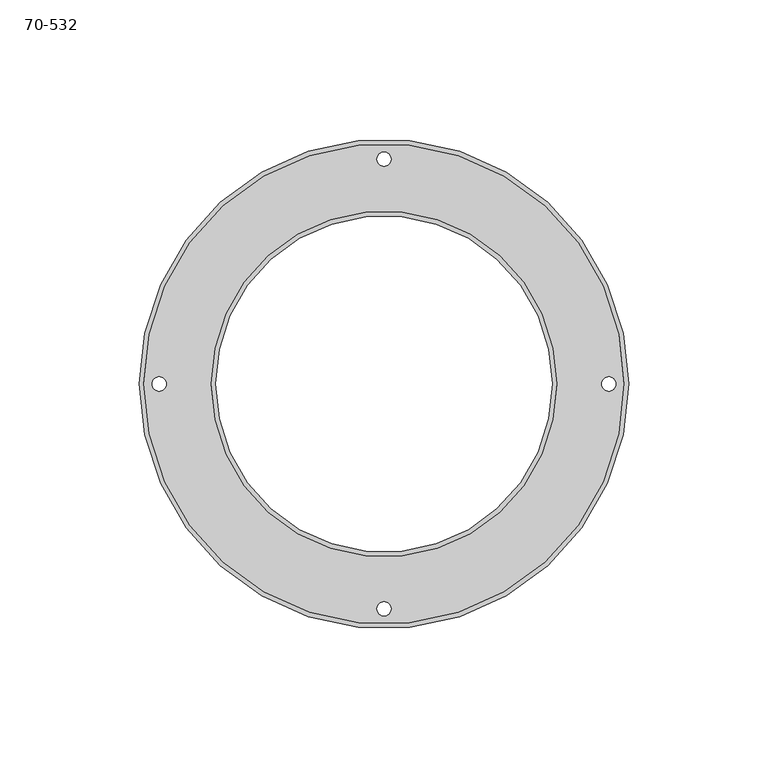
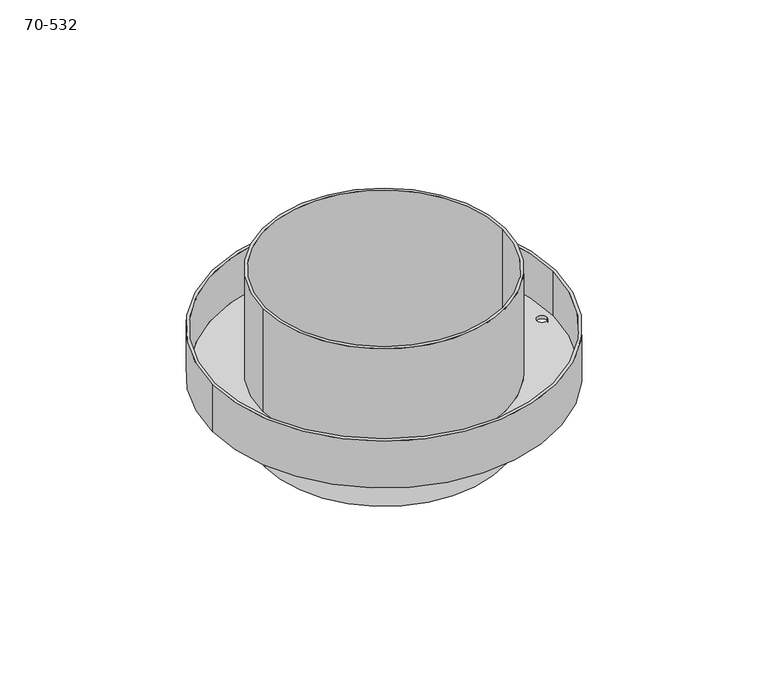
"""IFC4 building model written with IfcOpenShell, lengths in millimetres: proxy geometry, 70-532."""

from ifc_helpers import new_model, si_unit, frame, origin, place, context, project, spatial, polyline, circle_curve, source, transform, mapped, element, save
from ifc_brep_helpers import plane_surface, cylinder_surface, revolved_surface, advanced_brep


def proxy_70_532_6b2756e5(model_context):
    return source(origin(), model_context, "Body", "AdvancedBrep", [
        advanced_brep(
        [(-87.757, 0.0, 0.0), (-87.757, 0.0, 25.4), (87.757, 0.0, 25.4), (87.757, 0.0, 0.0), (60.325, 0.0, -28.575), (60.325, 0.0, 57.15), (-60.325, 0.0, 57.15), (-60.325, 0.0, -28.575), (-86.106, 0.0, 25.4), (-86.106, 0.0, 1.651), (86.106, 0.0, 1.651), (86.106, 0.0, 25.4), (61.976, 0.0, 57.15), (61.976, 0.0, 1.651), (-61.976, 0.0, 1.651), (-61.976, 0.0, 57.15), (61.0235, 0.0, 0.0), (61.0235, 0.0, -28.575), (-61.0235, 0.0, -28.575), (-61.0235, 0.0, 0.0), (83.185, 0.0, 0.0), (83.185, 0.0, 1.651), (78.105, 0.0, 1.651), (78.105, 0.0, 0.0), (-78.105, 0.0, 0.0), (-78.105, 0.0, 1.651), (-83.185, 0.0, 1.651), (-83.185, 0.0, 0.0), (2.54, 80.645, 0.0), (2.54, 80.645, 1.651), (-2.54, 80.645, 1.651), (-2.54, 80.645, 0.0), (2.54, -80.645, 0.0), (2.54, -80.645, 1.651), (-2.54, -80.645, 1.651), (-2.54, -80.645, 0.0)],
        [
            (0, 1),
            (1, 2, circle_curve(frame((0.0, 0.0, 25.4), z_axis=(0.0, 0.0, -1.0), x_axis=(-1.0, 0.0, 0.0)), 87.757)),
            (2, 3),
            (3, 0, circle_curve(frame((0.0, 0.0, 0.0), z_axis=(0.0, 0.0, 1.0), x_axis=(-1.0, 0.0, 0.0)), 87.757)),
            (4, 5),
            (5, 6, circle_curve(frame((0.0, 0.0, 57.15), z_axis=(0.0, 0.0, 1.0), x_axis=(1.0, 0.0, 0.0)), 60.325)),
            (6, 7),
            (7, 4, circle_curve(frame((0.0, 0.0, -28.575), z_axis=(0.0, 0.0, -1.0), x_axis=(1.0, 0.0, 0.0)), 60.325)),
            (8, 9),
            (9, 10, circle_curve(frame((0.0, 0.0, 1.651), z_axis=(0.0, 0.0, -1.0), x_axis=(-1.0, 0.0, 0.0)), 86.106)),
            (10, 11),
            (11, 8, circle_curve(frame((0.0, 0.0, 25.4), z_axis=(0.0, 0.0, 1.0), x_axis=(-1.0, 0.0, 0.0)), 86.106)),
            (12, 13),
            (13, 14, circle_curve(frame((0.0, 0.0, 1.651), z_axis=(0.0, 0.0, 1.0), x_axis=(1.0, 0.0, 0.0)), 61.976)),
            (14, 15),
            (15, 12, circle_curve(frame((0.0, 0.0, 57.15), z_axis=(0.0, 0.0, -1.0), x_axis=(1.0, 0.0, 0.0)), 61.976)),
            (16, 17),
            (17, 18, circle_curve(frame((0.0, 0.0, -28.575), z_axis=(0.0, 0.0, 1.0), x_axis=(1.0, 0.0, 0.0)), 61.0235)),
            (18, 19),
            (19, 16, circle_curve(frame((0.0, 0.0, 0.0), z_axis=(0.0, 0.0, -1.0), x_axis=(1.0, 0.0, 0.0)), 61.0235)),
            (20, 21),
            (21, 22, circle_curve(frame((80.645, 0.0, 1.651), z_axis=(0.0, 0.0, 1.0), x_axis=(1.0, 0.0, 0.0)), 2.54)),
            (22, 23),
            (23, 20, circle_curve(frame((80.645, 0.0, 0.0), z_axis=(0.0, 0.0, -1.0), x_axis=(1.0, 0.0, 0.0)), 2.54)),
            (24, 25),
            (25, 26, circle_curve(frame((-80.645, 0.0, 1.651), z_axis=(0.0, 0.0, 1.0), x_axis=(1.0, 0.0, 0.0)), 2.54)),
            (26, 27),
            (27, 24, circle_curve(frame((-80.645, 0.0, 0.0), z_axis=(0.0, 0.0, -1.0), x_axis=(1.0, 0.0, 0.0)), 2.54)),
            (28, 29),
            (29, 30, circle_curve(frame((0.0, 80.645, 1.651), z_axis=(0.0, 0.0, 1.0), x_axis=(1.0, 0.0, 0.0)), 2.54)),
            (30, 31),
            (31, 28, circle_curve(frame((0.0, 80.645, 0.0), z_axis=(0.0, 0.0, -1.0), x_axis=(1.0, 0.0, 0.0)), 2.54)),
            (32, 33),
            (33, 34, circle_curve(frame((0.0, -80.645, 1.651), z_axis=(0.0, 0.0, 1.0), x_axis=(1.0, 0.0, 0.0)), 2.54)),
            (34, 35),
            (35, 32, circle_curve(frame((0.0, -80.645, 0.0), z_axis=(0.0, 0.0, -1.0), x_axis=(1.0, 0.0, 0.0)), 2.54)),
            (32, 35, circle_curve(frame((0.0, -80.645, 0.0), z_axis=(0.0, 0.0, -1.0), x_axis=(1.0, 0.0, 0.0)), 2.54)),
            (34, 33, circle_curve(frame((0.0, -80.645, 1.651), z_axis=(0.0, 0.0, 1.0), x_axis=(1.0, 0.0, 0.0)), 2.54)),
            (28, 31, circle_curve(frame((0.0, 80.645, 0.0), z_axis=(0.0, 0.0, -1.0), x_axis=(1.0, 0.0, 0.0)), 2.54)),
            (30, 29, circle_curve(frame((0.0, 80.645, 1.651), z_axis=(0.0, 0.0, 1.0), x_axis=(1.0, 0.0, 0.0)), 2.54)),
            (24, 27, circle_curve(frame((-80.645, 0.0, 0.0), z_axis=(0.0, 0.0, -1.0), x_axis=(1.0, 0.0, 0.0)), 2.54)),
            (26, 25, circle_curve(frame((-80.645, 0.0, 1.651), z_axis=(0.0, 0.0, 1.0), x_axis=(1.0, 0.0, 0.0)), 2.54)),
            (20, 23, circle_curve(frame((80.645, 0.0, 0.0), z_axis=(0.0, 0.0, -1.0), x_axis=(1.0, 0.0, 0.0)), 2.54)),
            (22, 21, circle_curve(frame((80.645, 0.0, 1.651), z_axis=(0.0, 0.0, 1.0), x_axis=(1.0, 0.0, 0.0)), 2.54)),
            (16, 19, circle_curve(frame((0.0, 0.0, 0.0), z_axis=(0.0, 0.0, -1.0), x_axis=(1.0, 0.0, 0.0)), 61.0235)),
            (18, 17, circle_curve(frame((0.0, 0.0, -28.575), z_axis=(0.0, 0.0, 1.0), x_axis=(1.0, 0.0, 0.0)), 61.0235)),
            (7, 4, circle_curve(frame((0.0, 0.0, -28.575), z_axis=(0.0, 0.0, 1.0), x_axis=(1.0, 0.0, 0.0)), 60.325)),
            (1, 2, circle_curve(frame((0.0, 0.0, 25.4), z_axis=(0.0, 0.0, 1.0), x_axis=(-1.0, 0.0, 0.0)), 87.757)),
            (11, 8, circle_curve(frame((0.0, 0.0, 25.4), z_axis=(0.0, 0.0, -1.0), x_axis=(-1.0, 0.0, 0.0)), 86.106)),
            (9, 10, circle_curve(frame((0.0, 0.0, 1.651), z_axis=(0.0, 0.0, 1.0), x_axis=(-1.0, 0.0, 0.0)), 86.106)),
            (13, 14, circle_curve(frame((0.0, 0.0, 1.651), z_axis=(0.0, 0.0, -1.0), x_axis=(1.0, 0.0, 0.0)), 61.976)),
            (12, 15, circle_curve(frame((0.0, 0.0, 57.15), z_axis=(0.0, 0.0, -1.0), x_axis=(1.0, 0.0, 0.0)), 61.976)),
            (6, 5, circle_curve(frame((0.0, 0.0, 57.15), z_axis=(0.0, 0.0, 1.0), x_axis=(1.0, 0.0, 0.0)), 60.325)),
            (0, 3, circle_curve(frame((0.0, 0.0, 0.0), z_axis=(0.0, 0.0, 1.0), x_axis=(-1.0, 0.0, 0.0)), 87.757)),
        ],
        [
            cylinder_surface(frame((0.0, 0.0, 0.0), z_axis=(0.0, 0.0, 1.0), x_axis=(-1.0, 0.0, 0.0)), 87.757),
            revolved_surface(polyline([(60.325, 0.0, 57.150000000000006), (60.325, 0.0, -28.57499999999999)]), (0.0, 0.0, -197.5585607), (0.0, 0.0, 1.0)),
            revolved_surface(polyline([(-86.106, 0.0, 25.4), (-86.106, 0.0, 1.651)]), (0.0, 0.0, 0.0), (0.0, 0.0, 1.0)),
            cylinder_surface(frame((0.0, 0.0, -197.5585607), z_axis=(0.0, 0.0, 1.0), x_axis=(1.0, 0.0, 0.0)), 61.976),
            cylinder_surface(frame((0.0, 0.0, 0.0), z_axis=(0.0, 0.0, -1.0), x_axis=(1.0, 0.0, 0.0)), 61.0235),
            revolved_surface(polyline([(83.185, 0.0, 1.6510000000000007), (83.185, 0.0, 0.0)]), (80.645, 0.0, -7.874), (0.0, 0.0, 1.0)),
            revolved_surface(polyline([(-78.10499999999999, 0.0, 1.6510000000000007), (-78.10499999999999, 0.0, 0.0)]), (-80.645, 0.0, -7.874), (0.0, 0.0, 1.0)),
            revolved_surface(polyline([(2.54, 80.645, 1.6510000000000007), (2.54, 80.645, 0.0)]), (0.0, 80.645, -7.874), (0.0, 0.0, 1.0)),
            revolved_surface(polyline([(2.54, -80.645, 1.6510000000000007), (2.54, -80.645, 0.0)]), (0.0, -80.645, -7.874), (0.0, 0.0, 1.0)),
            plane_surface(frame((0.0, 0.0, -28.575), z_axis=(0.0, 0.0, -1.0), x_axis=(1.0, 0.0, 0.0))),
            plane_surface(frame((0.0, 0.0, 25.4), z_axis=(0.0, 0.0, 1.0), x_axis=(-1.0, 0.0, 0.0))),
            plane_surface(frame((0.0, 0.0, 1.651), z_axis=(0.0, 0.0, 1.0), x_axis=(-1.0, 0.0, 0.0))),
            plane_surface(frame((0.0, 0.0, 57.15), z_axis=(0.0, 0.0, 1.0), x_axis=(-1.0, 0.0, 0.0))),
            plane_surface(frame((0.0, 0.0, 0.0), z_axis=(0.0, 0.0, -1.0), x_axis=(-1.0, 0.0, 0.0))),
        ],
        [
            (0, [[1, 2, 3, 4]]),
            (1, [[5, 6, 7, 8]]),
            (2, [[9, 10, 11, 12]]),
            (3, [[13, 14, 15, 16]]),
            (4, [[17, 18, 19, 20]]),
            (5, [[21, 22, 23, 24]]),
            (6, [[25, 26, 27, 28]]),
            (7, [[29, 30, 31, 32]]),
            (8, [[33, 34, 35, 36]]),
            (8, [[-33, 37, -35, 38]]),
            (7, [[-29, 39, -31, 40]]),
            (6, [[-25, 41, -27, 42]]),
            (5, [[-21, 43, -23, 44]]),
            (4, [[-17, 45, -19, 46]]),
            (9, [[-46, -18], [47, -8]]),
            (10, [[48, -2], [-12, 49]]),
            (11, [[50, -10], [-38, -34], [-40, -30], [-42, -26], [-44, -22], [51, -14]]),
            (3, [[-13, 52, -15, -51]]),
            (2, [[-9, -49, -11, -50]]),
            (1, [[-5, -47, -7, 53]]),
            (0, [[-1, 54, -3, -48]]),
            (12, [[-52, -16], [-53, -6]]),
            (13, [[-54, -4], [-37, -36], [-39, -32], [-41, -28], [-43, -24], [-45, -20]]),
        ],
    ),
    ])


if __name__ == "__main__":
    model = new_model("IFC4")
    model_context = context("Model", 3, world=origin())
    ifc_project = project(units=[si_unit("LENGTHUNIT", "METRE", prefix="MILLI")], contexts=[model_context])
    site = spatial("IfcSite", under=ifc_project)
    building = spatial("IfcBuilding", under=site)
    placement = place(None, origin())
    proxy_70_532_shape = proxy_70_532_6b2756e5(model_context)
    element("IfcBuildingElementProxy", 1, Name="70-532", ObjectType="70-532", at=placement, inside=building, context=model_context, shape_type="MappedRepresentation", body=[
        mapped(proxy_70_532_shape, transform((0.0, 0.0, 0.0), x_axis=(1.0, 0.0, 0.0), y_axis=(0.0, 1.0, 0.0), z_axis=(0.0, 0.0, 1.0))),
    ])
    save(model, "model.ifc")
